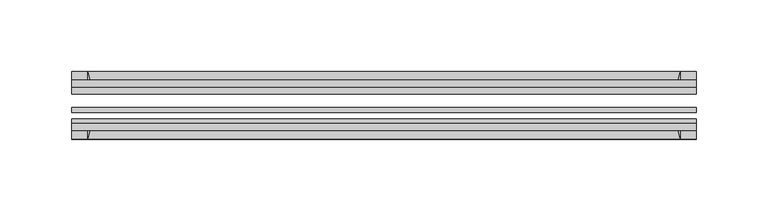
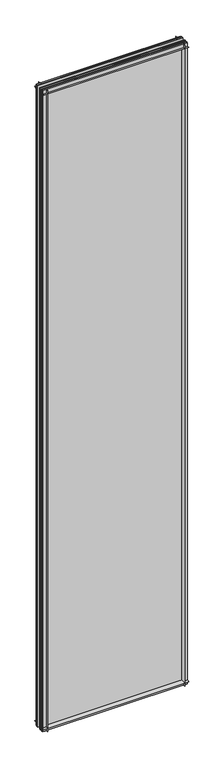
"""IFC4 building model written with IfcOpenShell, lengths in millimetres: plate geometry."""

import ifcopenshell
import ifcopenshell.guid

model = None  # the IFC model being written
_history = None  # IfcOwnerHistory: only IFC2X3 demands one
_inside = {}  # id of a spatial element -> (the spatial element, [elements in it])
_under = {}  # id of a project, library or spatial element -> (it, [spatial elements below it])
_declared = {}  # id of a project -> (the project, [libraries it declares])
_typed = {}  # id of a type object -> (the type object, [elements of that type])
_made_of = {}  # id of a material, layer set ... -> (it, [elements and type objects made of it])


def new_model(schema):
    """Start an empty IFC model of exactly this schema.

    Asked for "IFC4X3", IfcOpenShell would pick the latest addendum, in which some entities
    have other attributes; the version numbers below select the first issue.
    IFC2X3 requires an IfcOwnerHistory on every rooted entity: one is made here for all.
    """
    global model, _history
    if schema == "IFC4X3":
        model = ifcopenshell.file(schema_version=(4, 3, 0, 0))
    else:
        model = ifcopenshell.file(schema=schema)
    _inside.clear()
    _under.clear()
    _declared.clear()
    _typed.clear()
    _made_of.clear()
    _history = None
    if model.schema == "IFC2X3":
        org = make("IfcOrganization", Name="unknown")
        user = make(
            "IfcPersonAndOrganization",
            ThePerson=make("IfcPerson", FamilyName="unknown"),
            TheOrganization=org,
        )
        app = make(
            "IfcApplication",
            ApplicationDeveloper=org,
            Version="unknown",
            ApplicationFullName="unknown",
            ApplicationIdentifier="unknown",
        )
        _history = make(
            "IfcOwnerHistory",
            OwningUser=user,
            OwningApplication=app,
            ChangeAction="ADDED",
            CreationDate=0,
        )
    return model


def make(cls, **values):
    """One entity of the class cls with the attributes given. An attribute that is None is left unset."""
    return model.create_entity(
        cls, **{name: value for name, value in values.items() if value is not None}
    )


def rooted(cls, **values):
    """An entity with a GlobalId (a new one), such as an element, a storey or a relation."""
    return make(cls, GlobalId=ifcopenshell.guid.new(), OwnerHistory=_history, **values)


def si_unit(unit_type, name, prefix=None):
    """IfcSIUnit, for example si_unit("LENGTHUNIT", "METRE", prefix="MILLI")."""
    return make("IfcSIUnit", UnitType=unit_type, Prefix=prefix, Name=name)


def assignment(units):
    """IfcUnitAssignment: the units of a project."""
    return None if units is None else make("IfcUnitAssignment", Units=units)


def point(xyz):
    """IfcCartesianPoint."""
    return None if xyz is None else make("IfcCartesianPoint", Coordinates=xyz)


def direction(xyz):
    """IfcDirection."""
    return None if xyz is None else make("IfcDirection", DirectionRatios=xyz)


def frame(location, z_axis=None, x_axis=None):
    """IfcAxis2Placement3D, a coordinate frame: its origin and axes. An axis left out is left unset."""
    return make(
        "IfcAxis2Placement3D",
        Location=point(location),
        Axis=direction(z_axis),
        RefDirection=direction(x_axis),
    )


def frame_2d(location, x_axis=None):
    """IfcAxis2Placement2D, a coordinate frame in the plane: its origin and x axis."""
    return make(
        "IfcAxis2Placement2D", Location=point(location), RefDirection=direction(x_axis)
    )


def origin():
    """The frame at (0, 0, 0) with its axes left unset."""
    return frame((0.0, 0.0, 0.0))


def place(relative_to, where):
    """IfcLocalPlacement: puts the frame where relative to a parent placement (None: the world)."""
    return make(
        "IfcLocalPlacement", PlacementRelTo=relative_to, RelativePlacement=where
    )


def context(
    kind, dimensions, precision=None, world=None, true_north=None, identifier=None
):
    """IfcGeometricRepresentationContext, for example the 3D "Model" context."""
    return make(
        "IfcGeometricRepresentationContext",
        ContextIdentifier=identifier,
        ContextType=kind,
        CoordinateSpaceDimension=dimensions,
        Precision=precision,
        WorldCoordinateSystem=world,
        TrueNorth=true_north,
    )


def project(units=None, contexts=None):
    """IfcProject with its units and contexts."""
    return rooted(
        "IfcProject",
        Name="project",
        RepresentationContexts=contexts,
        UnitsInContext=assignment(units),
    )


def spatial(cls, under=None, at=None, **own):
    """A site, building, storey or space (cls), placed at a placement, below another one or the project."""
    s = rooted(cls, ObjectPlacement=at, **own)
    if under is not None:
        _under.setdefault(under.id(), (under, []))[1].append(s)
    return s


def polyline(points):
    """IfcPolyline through the points."""
    return make("IfcPolyline", Points=[point(p) for p in points])


def circle_curve(where, radius):
    """IfcCircle in the frame where."""
    return make("IfcCircle", Position=where, Radius=radius)


def trimmed(basis, trim1, trim2, sense, master):
    """IfcTrimmedCurve: the piece of a basis curve between two trims."""
    return make(
        "IfcTrimmedCurve",
        BasisCurve=basis,
        Trim1=trim1,
        Trim2=trim2,
        SenseAgreement=sense,
        MasterRepresentation=master,
    )


def segment(curve, same_sense, transition):
    """IfcCompositeCurveSegment."""
    return make(
        "IfcCompositeCurveSegment",
        Transition=transition,
        SameSense=same_sense,
        ParentCurve=curve,
    )


def composite_curve(segments, self_intersect=None):
    """IfcCompositeCurve: segments joined end to end."""
    return make("IfcCompositeCurve", Segments=segments, SelfIntersect=self_intersect)


def outline(outer, holes=None, kind="AREA"):
    """IfcArbitraryClosedProfileDef: a profile drawn as a closed curve; with holes, ...WithVoids."""
    if holes is None:
        return make("IfcArbitraryClosedProfileDef", ProfileType=kind, OuterCurve=outer)
    return make(
        "IfcArbitraryProfileDefWithVoids",
        ProfileType=kind,
        OuterCurve=outer,
        InnerCurves=holes,
    )


def extrude(swept, where, along, depth):
    """IfcExtrudedAreaSolid: the profile swept, set in the frame where, extruded along a direction by depth."""
    return make(
        "IfcExtrudedAreaSolid",
        SweptArea=swept,
        Position=where,
        ExtrudedDirection=direction(along),
        Depth=depth,
    )


def shape(context_of_items, identifier, shape_type, items):
    """IfcShapeRepresentation: the items that make up one representation, for example the "Body"."""
    return make(
        "IfcShapeRepresentation",
        ContextOfItems=context_of_items,
        RepresentationIdentifier=identifier,
        RepresentationType=shape_type,
        Items=items,
    )


def source(mapping_origin, context_of_items, identifier, shape_type, items):
    """IfcRepresentationMap: a shape defined once, which mapped items show again and again."""
    return make(
        "IfcRepresentationMap",
        MappingOrigin=mapping_origin,
        MappedRepresentation=shape(context_of_items, identifier, shape_type, items),
    )


def transform(
    local_origin,
    x_axis=None,
    y_axis=None,
    z_axis=None,
    scale=None,
    scale2=None,
    scale3=None,
    uniform=True,
):
    """IfcCartesianTransformationOperator3D, or its non-uniform kind. x_axis, y_axis, z_axis: its Axis1, 2, 3."""
    if uniform:
        return make(
            "IfcCartesianTransformationOperator3D",
            Axis1=direction(x_axis),
            Axis2=direction(y_axis),
            LocalOrigin=point(local_origin),
            Scale=scale,
            Axis3=direction(z_axis),
        )
    return make(
        "IfcCartesianTransformationOperator3DnonUniform",
        Axis1=direction(x_axis),
        Axis2=direction(y_axis),
        LocalOrigin=point(local_origin),
        Scale=scale,
        Axis3=direction(z_axis),
        Scale2=scale2,
        Scale3=scale3,
    )


def mapped(mapping_source, mapping_target):
    """IfcMappedItem: shows the shape of a source again, moved by a transform."""
    return make(
        "IfcMappedItem", MappingSource=mapping_source, MappingTarget=mapping_target
    )


def made_of(thing, what):
    """Note that an element or type object is made of a material, layer set ...; save() writes the relation."""
    if what is not None:
        _made_of.setdefault(what.id(), (what, []))[1].append(thing)
    return thing


def element(
    cls,
    number,
    at=None,
    inside=None,
    cuts=None,
    type_object=None,
    material=None,
    context=None,
    identifier="Body",
    shape_type=None,
    held_by="IfcProductDefinitionShape",
    body=None,
    shapes=None,
    **own,
):
    """One element of the class cls, such as IfcWall. Its Tag is "e" and its number.

    at: its placement. inside: the storey or other place that contains it. cuts: it is an
    opening in that element (IfcRelVoidsElement). A single representation is given by context,
    identifier, shape_type and body (its items); several are given by shapes. held_by: the class
    of the entity that holds the representations. save() writes the other relations.
    """
    e = rooted(cls, Tag="e%d" % number, ObjectPlacement=at, **own)
    if body is not None:
        shapes = [shape(context, identifier, shape_type, body)]
    if shapes is not None:
        e.Representation = make(held_by, Representations=shapes)
    if inside is not None:
        _inside.setdefault(inside.id(), (inside, []))[1].append(e)
    if cuts is not None:
        rooted(
            "IfcRelVoidsElement", RelatingBuildingElement=cuts, RelatedOpeningElement=e
        )
    if type_object is not None:
        _typed.setdefault(type_object.id(), (type_object, []))[1].append(e)
    return made_of(e, material)


def aggregate(whole, parts):
    """IfcRelAggregates: a whole, such as a stair, and the parts it consists of."""
    return rooted("IfcRelAggregates", RelatingObject=whole, RelatedObjects=parts)


def save(model, path):
    """Write the relations noted so far, then the file.

    IfcRelAggregates (storeys below a building ...), IfcRelContainedInSpatialStructure (elements
    in a storey), IfcRelDefinesByType, IfcRelAssociatesMaterial and IfcRelDeclares: one each for
    every whole, place, type object, material and project.
    """
    for whole, parts in _under.values():
        aggregate(whole, parts)
    for where, things in _inside.values():
        rooted(
            "IfcRelContainedInSpatialStructure",
            RelatedElements=things,
            RelatingStructure=where,
        )
    for kind, things in _typed.values():
        rooted("IfcRelDefinesByType", RelatedObjects=things, RelatingType=kind)
    for what, things in _made_of.values():
        rooted("IfcRelAssociatesMaterial", RelatedObjects=things, RelatingMaterial=what)
    for by, libraries in _declared.values():
        rooted("IfcRelDeclares", RelatingContext=by, RelatedDefinitions=libraries)
    model.write(path)


def plate_f8c507bf(model_context):
    return source(origin(), model_context, "Body", "SweptSolid", [
        extrude(outline(composite_curve([segment(polyline([(-74.653775, 0.0), (-80.586498, 0.0)]), True, "CONTINUOUS"), segment(trimmed(circle_curve(frame_2d((-86.2543953, 32.273404)), 32.7673262), [point((-80.586498, 0.0))], [point((-69.878575, 3.8915405))], True, "CARTESIAN"), True, "CONTINUOUS"), segment(polyline([(-69.878575, 3.8915405), (-69.878575, -10.31875), (-74.653775, -10.31875), (-74.653775, 0.0)]), True, "CONTINUOUS")], self_intersect=False)), frame((-217.4795252, 0.0, 0.0), z_axis=(1.0, 0.0, 0.0), x_axis=(0.0, 1.0, 0.0)), (0.0, 0.0, 1.0), 434.9590504),
        extrude(outline(composite_curve([segment(polyline([(-44.478575, -10.31875), (-44.478575, 3.8915405)]), True, "CONTINUOUS"), segment(trimmed(circle_curve(frame_2d((-28.1027547, 32.273404)), 32.7673262), [point((-44.478575, 3.8915405))], [point((-33.770652, 0.0))], True, "CARTESIAN"), True, "CONTINUOUS"), segment(polyline([(-33.770652, 0.0), (-39.703375, 0.0), (-39.703375, -10.31875), (-44.478575, -10.31875)]), True, "CONTINUOUS")], self_intersect=False)), frame((-217.4795252, 0.0, 0.0), z_axis=(1.0, 0.0, 0.0), x_axis=(0.0, 1.0, 0.0)), (0.0, 0.0, 1.0), 434.9590504),
        extrude(outline(composite_curve([segment(trimmed(circle_curve(frame_2d((-86.2543953, 1977.495246)), 32.7673262), [point((-69.878575, 2005.8771095))], [point((-80.622775, 2009.775))], True, "CARTESIAN"), True, "CONTINUOUS"), segment(polyline([(-80.622775, 2009.775), (-74.653775, 2009.775), (-74.653775, 2020.8875), (-69.878575, 2020.8875), (-69.878575, 2005.8771095)]), True, "CONTINUOUS")], self_intersect=False)), frame((-217.4795252, 0.0, 0.0), z_axis=(1.0, 0.0, 0.0), x_axis=(0.0, 1.0, 0.0)), (0.0, 0.0, 1.0), 434.9590504),
        extrude(outline(composite_curve([segment(polyline([(-44.478575, 2005.8771095), (-44.478575, 2020.8875), (-39.703375, 2020.8875), (-39.703375, 2009.775), (-33.734375, 2009.775)]), True, "CONTINUOUS"), segment(trimmed(circle_curve(frame_2d((-28.1027547, 1977.495246)), 32.7673262), [point((-33.734375, 2009.775))], [point((-44.478575, 2005.8771095))], True, "CARTESIAN"), True, "CONTINUOUS")], self_intersect=False)), frame((-217.4795252, 0.0, 0.0), z_axis=(1.0, 0.0, 0.0), x_axis=(0.0, 1.0, 0.0)), (0.0, 0.0, 1.0), 434.9590504),
        extrude(outline(composite_curve([segment(polyline([(202.4691347, -69.878575), (217.4795252, -69.878575), (217.4795252, -74.653775), (206.3670252, -74.653775), (206.3670252, -80.622775)]), True, "CONTINUOUS"), segment(trimmed(circle_curve(frame_2d((174.0872712, -86.2543953)), 32.7673262), [point((206.3670252, -80.622775))], [point((202.4691347, -69.878575))], True, "CARTESIAN"), True, "CONTINUOUS")], self_intersect=False)), frame((0.0, 0.0, -10.31875), z_axis=(0.0, 0.0, 1.0), x_axis=(1.0, 0.0, 0.0)), (0.0, 0.0, 1.0), 2031.20625),
        extrude(outline(composite_curve([segment(trimmed(circle_curve(frame_2d((174.0872712, -28.1027547)), 32.7673262), [point((202.4691347, -44.478575))], [point((206.3670252, -33.734375))], True, "CARTESIAN"), True, "CONTINUOUS"), segment(polyline([(206.3670252, -33.734375), (206.3670252, -39.703375), (217.4795252, -39.703375), (217.4795252, -44.478575), (202.4691347, -44.478575)]), True, "CONTINUOUS")], self_intersect=False)), frame((0.0, 0.0, -10.31875), z_axis=(0.0, 0.0, 1.0), x_axis=(1.0, 0.0, 0.0)), (0.0, 0.0, 1.0), 2031.20625),
        extrude(outline(composite_curve([segment(trimmed(circle_curve(frame_2d((-174.0872712, -86.2543953)), 32.7673262), [point((-202.4691347, -69.878575))], [point((-206.3670252, -80.622775))], True, "CARTESIAN"), True, "CONTINUOUS"), segment(polyline([(-206.3670252, -80.622775), (-206.3670252, -74.653775), (-217.4795252, -74.653775), (-217.4795252, -69.878575), (-202.4691347, -69.878575)]), True, "CONTINUOUS")], self_intersect=False)), frame((0.0, 0.0, -10.31875), z_axis=(0.0, 0.0, 1.0), x_axis=(1.0, 0.0, 0.0)), (0.0, 0.0, 1.0), 2031.20625),
        extrude(outline(composite_curve([segment(polyline([(-202.4691347, -44.478575), (-217.4795252, -44.478575), (-217.4795252, -39.703375), (-206.3670252, -39.703375), (-206.3670252, -33.734375)]), True, "CONTINUOUS"), segment(trimmed(circle_curve(frame_2d((-174.0872712, -28.1027547)), 32.7673262), [point((-206.3670252, -33.734375))], [point((-202.4691347, -44.478575))], True, "CARTESIAN"), True, "CONTINUOUS")], self_intersect=False)), frame((0.0, 0.0, -10.31875), z_axis=(0.0, 0.0, 1.0), x_axis=(1.0, 0.0, 0.0)), (0.0, 0.0, 1.0), 2031.20625),
        extrude(outline(polyline([(-217.4795252, -44.478575), (217.4795252, -44.478575), (217.4795252, -49.241075), (-217.4795252, -49.241075), (-217.4795252, -44.478575)])), frame((0.0, 0.0, -10.31875), z_axis=(0.0, 0.0, 1.0), x_axis=(1.0, 0.0, 0.0)), (0.0, 0.0, 1.0), 2031.20625),
        extrude(outline(polyline([(217.4795252, -58.956575), (217.4795252, -62.131575), (-217.4795252, -62.131575), (-217.4795252, -58.956575), (217.4795252, -58.956575)])), frame((0.0, 0.0, -10.31875), z_axis=(0.0, 0.0, 1.0), x_axis=(1.0, 0.0, 0.0)), (0.0, 0.0, 1.0), 2031.20625),
        extrude(outline(polyline([(-217.4795252, -66.703575), (217.4795252, -66.703575), (217.4795252, -69.878575), (-217.4795252, -69.878575), (-217.4795252, -66.703575)])), frame((0.0, 0.0, -10.31875), z_axis=(0.0, 0.0, 1.0), x_axis=(1.0, 0.0, 0.0)), (0.0, 0.0, 1.0), 2031.20625),
    ])


if __name__ == "__main__":
    model = new_model("IFC4")
    model_context = context("Model", 3, world=origin())
    ifc_project = project(units=[si_unit("LENGTHUNIT", "METRE", prefix="MILLI")], contexts=[model_context])
    site = spatial("IfcSite", under=ifc_project)
    building = spatial("IfcBuilding", under=site)
    placement = place(None, origin())
    plate_shape = plate_f8c507bf(model_context)
    element("IfcPlate", 1, at=placement, inside=building, context=model_context, shape_type="MappedRepresentation", body=[
        mapped(plate_shape, transform((0.0, 0.0, 0.0), x_axis=(1.0, 0.0, 0.0), y_axis=(0.0, 1.0, 0.0), z_axis=(0.0, 0.0, 1.0))),
    ])
    save(model, "model.ifc")
